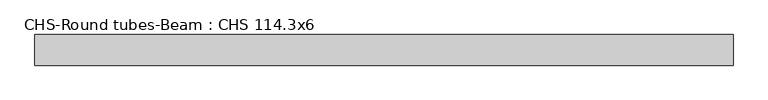
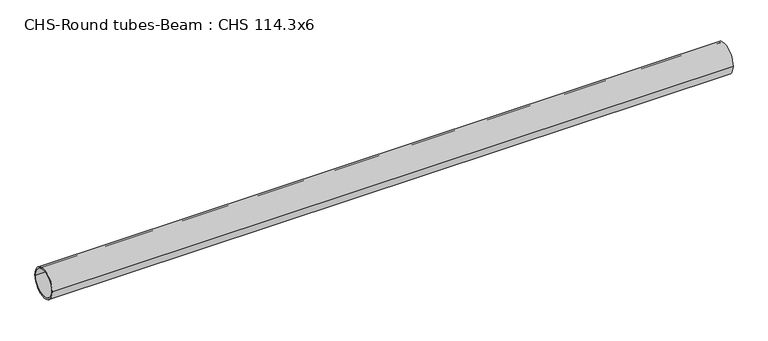
"""IFC4 building model written with IfcOpenShell, lengths in millimetres: beam geometry, CHS-Round tubes-Beam : CHS 114.3x6."""

import ifcopenshell
import ifcopenshell.guid

model = None  # the IFC model being written
_history = None  # IfcOwnerHistory: only IFC2X3 demands one
_inside = {}  # id of a spatial element -> (the spatial element, [elements in it])
_under = {}  # id of a project, library or spatial element -> (it, [spatial elements below it])
_declared = {}  # id of a project -> (the project, [libraries it declares])
_typed = {}  # id of a type object -> (the type object, [elements of that type])
_made_of = {}  # id of a material, layer set ... -> (it, [elements and type objects made of it])


def new_model(schema):
    """Start an empty IFC model of exactly this schema.

    Asked for "IFC4X3", IfcOpenShell would pick the latest addendum, in which some entities
    have other attributes; the version numbers below select the first issue.
    IFC2X3 requires an IfcOwnerHistory on every rooted entity: one is made here for all.
    """
    global model, _history
    if schema == "IFC4X3":
        model = ifcopenshell.file(schema_version=(4, 3, 0, 0))
    else:
        model = ifcopenshell.file(schema=schema)
    _inside.clear()
    _under.clear()
    _declared.clear()
    _typed.clear()
    _made_of.clear()
    _history = None
    if model.schema == "IFC2X3":
        org = make("IfcOrganization", Name="unknown")
        user = make(
            "IfcPersonAndOrganization",
            ThePerson=make("IfcPerson", FamilyName="unknown"),
            TheOrganization=org,
        )
        app = make(
            "IfcApplication",
            ApplicationDeveloper=org,
            Version="unknown",
            ApplicationFullName="unknown",
            ApplicationIdentifier="unknown",
        )
        _history = make(
            "IfcOwnerHistory",
            OwningUser=user,
            OwningApplication=app,
            ChangeAction="ADDED",
            CreationDate=0,
        )
    return model


def make(cls, **values):
    """One entity of the class cls with the attributes given. An attribute that is None is left unset."""
    return model.create_entity(
        cls, **{name: value for name, value in values.items() if value is not None}
    )


def rooted(cls, **values):
    """An entity with a GlobalId (a new one), such as an element, a storey or a relation."""
    return make(cls, GlobalId=ifcopenshell.guid.new(), OwnerHistory=_history, **values)


def si_unit(unit_type, name, prefix=None):
    """IfcSIUnit, for example si_unit("LENGTHUNIT", "METRE", prefix="MILLI")."""
    return make("IfcSIUnit", UnitType=unit_type, Prefix=prefix, Name=name)


def assignment(units):
    """IfcUnitAssignment: the units of a project."""
    return None if units is None else make("IfcUnitAssignment", Units=units)


def point(xyz):
    """IfcCartesianPoint."""
    return None if xyz is None else make("IfcCartesianPoint", Coordinates=xyz)


def direction(xyz):
    """IfcDirection."""
    return None if xyz is None else make("IfcDirection", DirectionRatios=xyz)


def frame(location, z_axis=None, x_axis=None):
    """IfcAxis2Placement3D, a coordinate frame: its origin and axes. An axis left out is left unset."""
    return make(
        "IfcAxis2Placement3D",
        Location=point(location),
        Axis=direction(z_axis),
        RefDirection=direction(x_axis),
    )


def frame_2d(location, x_axis=None):
    """IfcAxis2Placement2D, a coordinate frame in the plane: its origin and x axis."""
    return make(
        "IfcAxis2Placement2D", Location=point(location), RefDirection=direction(x_axis)
    )


def origin():
    """The frame at (0, 0, 0) with its axes left unset."""
    return frame((0.0, 0.0, 0.0))


def origin_2d():
    """The frame at (0, 0) in the plane with its x axis left unset."""
    return frame_2d((0.0, 0.0))


def place(relative_to, where):
    """IfcLocalPlacement: puts the frame where relative to a parent placement (None: the world)."""
    return make(
        "IfcLocalPlacement", PlacementRelTo=relative_to, RelativePlacement=where
    )


def context(
    kind, dimensions, precision=None, world=None, true_north=None, identifier=None
):
    """IfcGeometricRepresentationContext, for example the 3D "Model" context."""
    return make(
        "IfcGeometricRepresentationContext",
        ContextIdentifier=identifier,
        ContextType=kind,
        CoordinateSpaceDimension=dimensions,
        Precision=precision,
        WorldCoordinateSystem=world,
        TrueNorth=true_north,
    )


def project(units=None, contexts=None):
    """IfcProject with its units and contexts."""
    return rooted(
        "IfcProject",
        Name="project",
        RepresentationContexts=contexts,
        UnitsInContext=assignment(units),
    )


def spatial(cls, under=None, at=None, **own):
    """A site, building, storey or space (cls), placed at a placement, below another one or the project."""
    s = rooted(cls, ObjectPlacement=at, **own)
    if under is not None:
        _under.setdefault(under.id(), (under, []))[1].append(s)
    return s


def circle_curve(where, radius):
    """IfcCircle in the frame where."""
    return make("IfcCircle", Position=where, Radius=radius)


def trimmed(basis, trim1, trim2, sense, master):
    """IfcTrimmedCurve: the piece of a basis curve between two trims."""
    return make(
        "IfcTrimmedCurve",
        BasisCurve=basis,
        Trim1=trim1,
        Trim2=trim2,
        SenseAgreement=sense,
        MasterRepresentation=master,
    )


def segment(curve, same_sense, transition):
    """IfcCompositeCurveSegment."""
    return make(
        "IfcCompositeCurveSegment",
        Transition=transition,
        SameSense=same_sense,
        ParentCurve=curve,
    )


def composite_curve(segments, self_intersect=None):
    """IfcCompositeCurve: segments joined end to end."""
    return make("IfcCompositeCurve", Segments=segments, SelfIntersect=self_intersect)


def outline(outer, holes=None, kind="AREA"):
    """IfcArbitraryClosedProfileDef: a profile drawn as a closed curve; with holes, ...WithVoids."""
    if holes is None:
        return make("IfcArbitraryClosedProfileDef", ProfileType=kind, OuterCurve=outer)
    return make(
        "IfcArbitraryProfileDefWithVoids",
        ProfileType=kind,
        OuterCurve=outer,
        InnerCurves=holes,
    )


def extrude(swept, where, along, depth):
    """IfcExtrudedAreaSolid: the profile swept, set in the frame where, extruded along a direction by depth."""
    return make(
        "IfcExtrudedAreaSolid",
        SweptArea=swept,
        Position=where,
        ExtrudedDirection=direction(along),
        Depth=depth,
    )


def shape(context_of_items, identifier, shape_type, items):
    """IfcShapeRepresentation: the items that make up one representation, for example the "Body"."""
    return make(
        "IfcShapeRepresentation",
        ContextOfItems=context_of_items,
        RepresentationIdentifier=identifier,
        RepresentationType=shape_type,
        Items=items,
    )


def source(mapping_origin, context_of_items, identifier, shape_type, items):
    """IfcRepresentationMap: a shape defined once, which mapped items show again and again."""
    return make(
        "IfcRepresentationMap",
        MappingOrigin=mapping_origin,
        MappedRepresentation=shape(context_of_items, identifier, shape_type, items),
    )


def transform(
    local_origin,
    x_axis=None,
    y_axis=None,
    z_axis=None,
    scale=None,
    scale2=None,
    scale3=None,
    uniform=True,
):
    """IfcCartesianTransformationOperator3D, or its non-uniform kind. x_axis, y_axis, z_axis: its Axis1, 2, 3."""
    if uniform:
        return make(
            "IfcCartesianTransformationOperator3D",
            Axis1=direction(x_axis),
            Axis2=direction(y_axis),
            LocalOrigin=point(local_origin),
            Scale=scale,
            Axis3=direction(z_axis),
        )
    return make(
        "IfcCartesianTransformationOperator3DnonUniform",
        Axis1=direction(x_axis),
        Axis2=direction(y_axis),
        LocalOrigin=point(local_origin),
        Scale=scale,
        Axis3=direction(z_axis),
        Scale2=scale2,
        Scale3=scale3,
    )


def mapped(mapping_source, mapping_target):
    """IfcMappedItem: shows the shape of a source again, moved by a transform."""
    return make(
        "IfcMappedItem", MappingSource=mapping_source, MappingTarget=mapping_target
    )


def made_of(thing, what):
    """Note that an element or type object is made of a material, layer set ...; save() writes the relation."""
    if what is not None:
        _made_of.setdefault(what.id(), (what, []))[1].append(thing)
    return thing


def element(
    cls,
    number,
    at=None,
    inside=None,
    cuts=None,
    type_object=None,
    material=None,
    context=None,
    identifier="Body",
    shape_type=None,
    held_by="IfcProductDefinitionShape",
    body=None,
    shapes=None,
    **own,
):
    """One element of the class cls, such as IfcWall. Its Tag is "e" and its number.

    at: its placement. inside: the storey or other place that contains it. cuts: it is an
    opening in that element (IfcRelVoidsElement). A single representation is given by context,
    identifier, shape_type and body (its items); several are given by shapes. held_by: the class
    of the entity that holds the representations. save() writes the other relations.
    """
    e = rooted(cls, Tag="e%d" % number, ObjectPlacement=at, **own)
    if body is not None:
        shapes = [shape(context, identifier, shape_type, body)]
    if shapes is not None:
        e.Representation = make(held_by, Representations=shapes)
    if inside is not None:
        _inside.setdefault(inside.id(), (inside, []))[1].append(e)
    if cuts is not None:
        rooted(
            "IfcRelVoidsElement", RelatingBuildingElement=cuts, RelatedOpeningElement=e
        )
    if type_object is not None:
        _typed.setdefault(type_object.id(), (type_object, []))[1].append(e)
    return made_of(e, material)


def aggregate(whole, parts):
    """IfcRelAggregates: a whole, such as a stair, and the parts it consists of."""
    return rooted("IfcRelAggregates", RelatingObject=whole, RelatedObjects=parts)


def save(model, path):
    """Write the relations noted so far, then the file.

    IfcRelAggregates (storeys below a building ...), IfcRelContainedInSpatialStructure (elements
    in a storey), IfcRelDefinesByType, IfcRelAssociatesMaterial and IfcRelDeclares: one each for
    every whole, place, type object, material and project.
    """
    for whole, parts in _under.values():
        aggregate(whole, parts)
    for where, things in _inside.values():
        rooted(
            "IfcRelContainedInSpatialStructure",
            RelatedElements=things,
            RelatingStructure=where,
        )
    for kind, things in _typed.values():
        rooted("IfcRelDefinesByType", RelatedObjects=things, RelatingType=kind)
    for what, things in _made_of.values():
        rooted("IfcRelAssociatesMaterial", RelatedObjects=things, RelatingMaterial=what)
    for by, libraries in _declared.values():
        rooted("IfcRelDeclares", RelatingContext=by, RelatedDefinitions=libraries)
    model.write(path)


def chs_round_tubes_beam_chs_114_3x6_5791ce68(model_context):
    return source(origin(), model_context, "Body", "SweptSolid", [
        extrude(outline(composite_curve([segment(trimmed(circle_curve(origin_2d(), 57.15), [point((57.15, 0.0))], [point((-57.15, 0.0))], False, "CARTESIAN"), True, "CONTINUOUS"), segment(trimmed(circle_curve(origin_2d(), 57.15), [point((-57.15, 0.0))], [point((57.15, 0.0))], False, "CARTESIAN"), True, "CONTINUOUS")], self_intersect=False), holes=[composite_curve([segment(trimmed(circle_curve(origin_2d(), 51.15), [point((51.15, 0.0))], [point((-51.15, 0.0))], True, "CARTESIAN"), True, "CONTINUOUS"), segment(trimmed(circle_curve(origin_2d(), 51.15), [point((-51.15, 0.0))], [point((51.15, 0.0))], True, "CARTESIAN"), True, "CONTINUOUS")], self_intersect=False)]), frame((-1295.8607877, 0.0, 0.0), z_axis=(1.0, 0.0, 0.0), x_axis=(0.0, 1.0, 0.0)), (0.0, 0.0, 1.0), 2605.9196087),
    ])


if __name__ == "__main__":
    model = new_model("IFC4")
    model_context = context("Model", 3, world=origin())
    ifc_project = project(units=[si_unit("LENGTHUNIT", "METRE", prefix="MILLI")], contexts=[model_context])
    site = spatial("IfcSite", under=ifc_project)
    building = spatial("IfcBuilding", under=site)
    placement = place(None, origin())
    chs_round_tubes_beam_chs_114_3x6_shape = chs_round_tubes_beam_chs_114_3x6_5791ce68(model_context)
    element("IfcBeam", 1, ObjectType="CHS-Round tubes-Beam : CHS 114.3x6", at=placement, inside=building, context=model_context, shape_type="MappedRepresentation", body=[
        mapped(chs_round_tubes_beam_chs_114_3x6_shape, transform((0.0, 0.0, 0.0), x_axis=(1.0, 0.0, 0.0), y_axis=(0.0, 1.0, 0.0), z_axis=(0.0, 0.0, 1.0))),
    ])
    save(model, "model.ifc")
